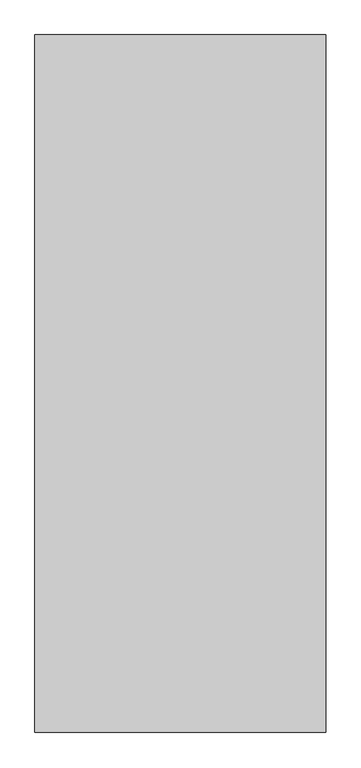
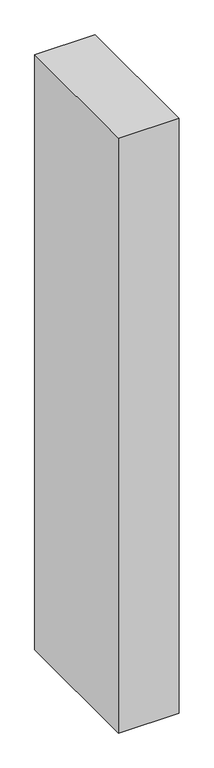
"""IFC4 building model written with IfcOpenShell, lengths in millimetres: proxy geometry."""

from ifc_helpers import new_model, si_unit, origin, origin_with_axes, place, context, project, spatial, polyline, outline, extrude, source, transform, mapped, element, save


def generic_models_d2f62f96(model_context):
    return source(origin(), model_context, "Body", "SweptSolid", [
        extrude(outline(polyline([(500.0, -1200.0), (0.0, -1200.0), (0.0, 0.0), (500.0, 0.0), (500.0, -1200.0)])), origin_with_axes(), (0.0, 0.0, 1.0), 5200.0),
    ])


if __name__ == "__main__":
    model = new_model("IFC4")
    model_context = context("Model", 3, world=origin())
    ifc_project = project(units=[si_unit("LENGTHUNIT", "METRE", prefix="MILLI")], contexts=[model_context])
    site = spatial("IfcSite", under=ifc_project)
    building = spatial("IfcBuilding", under=site)
    placement = place(None, origin())
    generic_models_shape = generic_models_d2f62f96(model_context)
    element("IfcBuildingElementProxy", 1, Name="Generic Models", at=placement, inside=building, context=model_context, shape_type="MappedRepresentation", body=[
        mapped(generic_models_shape, transform((0.0, 0.0, 0.0), x_axis=(1.0, 0.0, 0.0), y_axis=(0.0, 1.0, 0.0), z_axis=(0.0, 0.0, 1.0))),
    ])
    save(model, "model.ifc")
